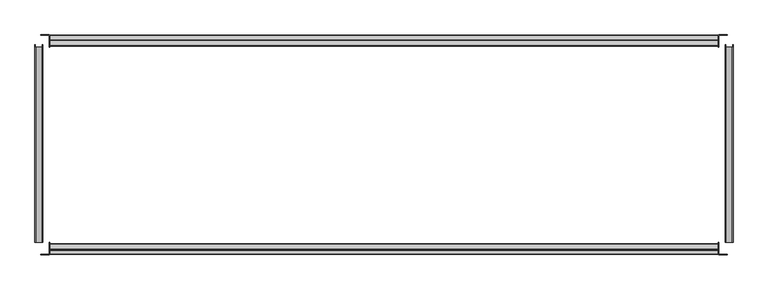
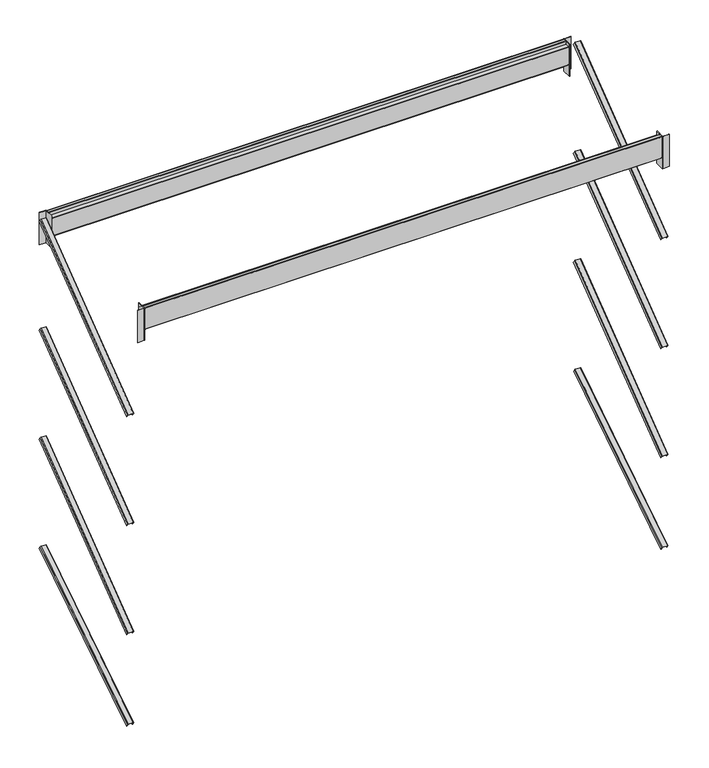
"""IFC4 building model written with IfcOpenShell, lengths in millimetres: furniture geometry."""

from ifc_helpers import new_model, si_unit, point, frame, frame_2d, origin, place, context, project, spatial, polyline, circle_curve, trimmed, segment, composite_curve, outline, extrude, source, transform, mapped, element, save


def furniture_04ab1ce9(model_context):
    return source(origin(), model_context, "Body", "SweptSolid", [
        extrude(outline(composite_curve([segment(polyline([(50.0, 901.5), (84.5, 901.5)]), True, "CONTINUOUS"), segment(trimmed(circle_curve(frame_2d((84.5, 899.5)), 2.0), [point((84.5, 901.5))], [point((86.5, 899.5))], False, "CARTESIAN"), True, "CONTINUOUS"), segment(polyline([(86.5, 899.5), (86.5, 850.0), (85.0, 850.0), (85.0, 899.5)]), True, "CONTINUOUS"), segment(trimmed(circle_curve(frame_2d((84.5, 899.5)), 0.5), [point((85.0, 899.5))], [point((84.5, 900.0))], True, "CARTESIAN"), True, "CONTINUOUS"), segment(polyline([(84.5, 900.0), (50.0, 900.0), (50.0, 901.5)]), True, "CONTINUOUS")], self_intersect=False)), frame((0.0, 0.0, 2258.4), z_axis=(0.0, 0.0, 1.0), x_axis=(1.0, 0.0, 0.0)), (0.0, 0.0, 1.0), 180.0),
        extrude(outline(composite_curve([segment(polyline([(84.5, -1.5), (50.0, -1.5), (50.0, 0.0), (84.5, 0.0)]), True, "CONTINUOUS"), segment(trimmed(circle_curve(frame_2d((84.5, 0.5)), 0.5), [point((84.5, 0.0))], [point((85.0, 0.5))], True, "CARTESIAN"), True, "CONTINUOUS"), segment(polyline([(85.0, 0.5), (85.0, 50.0), (86.5, 50.0), (86.5, 0.5)]), True, "CONTINUOUS"), segment(trimmed(circle_curve(frame_2d((84.5, 0.5)), 2.0), [point((86.5, 0.5))], [point((84.5, -1.5))], False, "CARTESIAN"), True, "CONTINUOUS")], self_intersect=False)), frame((0.0, 0.0, 2258.4), z_axis=(0.0, 0.0, 1.0), x_axis=(1.0, 0.0, 0.0)), (0.0, 0.0, 1.0), 180.0),
        extrude(outline(composite_curve([segment(polyline([(2863.0, -1.5), (2828.5, -1.5)]), True, "CONTINUOUS"), segment(trimmed(circle_curve(frame_2d((2828.5, 0.5)), 2.0), [point((2828.5, -1.5))], [point((2826.5, 0.5))], False, "CARTESIAN"), True, "CONTINUOUS"), segment(polyline([(2826.5, 0.5), (2826.5, 50.0), (2828.0, 50.0), (2828.0, 0.5)]), True, "CONTINUOUS"), segment(trimmed(circle_curve(frame_2d((2828.5, 0.5)), 0.5), [point((2828.0, 0.5))], [point((2828.5, 0.0))], True, "CARTESIAN"), True, "CONTINUOUS"), segment(polyline([(2828.5, 0.0), (2863.0, 0.0), (2863.0, -1.5)]), True, "CONTINUOUS")], self_intersect=False)), frame((0.0, 0.0, 2258.4), z_axis=(0.0, 0.0, 1.0), x_axis=(1.0, 0.0, 0.0)), (0.0, 0.0, 1.0), 180.0),
        extrude(outline(composite_curve([segment(polyline([(2828.5, 901.5), (2863.0, 901.5), (2863.0, 900.0), (2828.5, 900.0)]), True, "CONTINUOUS"), segment(trimmed(circle_curve(frame_2d((2828.5, 899.5)), 0.5), [point((2828.5, 900.0))], [point((2828.0, 899.5))], True, "CARTESIAN"), True, "CONTINUOUS"), segment(polyline([(2828.0, 899.5), (2828.0, 850.0), (2826.5, 850.0), (2826.5, 899.5)]), True, "CONTINUOUS"), segment(trimmed(circle_curve(frame_2d((2828.5, 899.5)), 2.0), [point((2826.5, 899.5))], [point((2828.5, 901.5))], False, "CARTESIAN"), True, "CONTINUOUS")], self_intersect=False)), frame((0.0, 0.0, 2258.4), z_axis=(0.0, 0.0, 1.0), x_axis=(1.0, 0.0, 0.0)), (0.0, 0.0, 1.0), 180.0),
        extrude(outline(composite_curve([segment(trimmed(circle_curve(frame_2d((18.0, 2436.4)), 2.0), [point((18.0, 2438.4))], [point((20.0, 2436.4))], False, "CARTESIAN"), True, "CONTINUOUS"), segment(polyline([(20.0, 2436.4), (20.0, 2420.9)]), True, "CONTINUOUS"), segment(trimmed(circle_curve(frame_2d((20.5, 2420.9)), 0.5), [point((20.0, 2420.9))], [point((20.5, 2420.4))], True, "CARTESIAN"), True, "CONTINUOUS"), segment(polyline([(20.5, 2420.4), (43.0, 2420.4)]), True, "CONTINUOUS"), segment(trimmed(circle_curve(frame_2d((43.0, 2418.4)), 2.0), [point((43.0, 2420.4))], [point((45.0, 2418.4))], False, "CARTESIAN"), True, "CONTINUOUS"), segment(polyline([(45.0, 2418.4), (45.0, 2320.4)]), True, "CONTINUOUS"), segment(trimmed(circle_curve(frame_2d((43.0, 2320.4)), 2.0), [point((45.0, 2320.4))], [point((43.0, 2318.4))], False, "CARTESIAN"), True, "CONTINUOUS"), segment(polyline([(43.0, 2318.4), (2.0, 2318.4)]), True, "CONTINUOUS"), segment(trimmed(circle_curve(frame_2d((2.0, 2320.4)), 2.0), [point((2.0, 2318.4))], [point((0.0, 2320.4))], False, "CARTESIAN"), True, "CONTINUOUS"), segment(polyline([(0.0, 2320.4), (0.0, 2436.4)]), True, "CONTINUOUS"), segment(trimmed(circle_curve(frame_2d((2.0, 2436.4)), 2.0), [point((0.0, 2436.4))], [point((2.0, 2438.4))], False, "CARTESIAN"), True, "CONTINUOUS"), segment(polyline([(2.0, 2438.4), (18.0, 2438.4)]), True, "CONTINUOUS")], self_intersect=False), holes=[composite_curve([segment(polyline([(43.0, 2418.9), (20.5, 2418.9)]), True, "CONTINUOUS"), segment(trimmed(circle_curve(frame_2d((20.5, 2420.9)), 2.0), [point((20.5, 2418.9))], [point((18.5, 2420.9))], False, "CARTESIAN"), True, "CONTINUOUS"), segment(polyline([(18.5, 2420.9), (18.5, 2436.4)]), True, "CONTINUOUS"), segment(trimmed(circle_curve(frame_2d((18.0, 2436.4)), 0.5), [point((18.5, 2436.4))], [point((18.0, 2436.9))], True, "CARTESIAN"), True, "CONTINUOUS"), segment(polyline([(18.0, 2436.9), (2.0, 2436.9)]), True, "CONTINUOUS"), segment(trimmed(circle_curve(frame_2d((2.0, 2436.4)), 0.5), [point((2.0, 2436.9))], [point((1.5, 2436.4))], True, "CARTESIAN"), True, "CONTINUOUS"), segment(polyline([(1.5, 2436.4), (1.5, 2320.4)]), True, "CONTINUOUS"), segment(trimmed(circle_curve(frame_2d((2.0, 2320.4)), 0.5), [point((1.5, 2320.4))], [point((2.0, 2319.9))], True, "CARTESIAN"), True, "CONTINUOUS"), segment(polyline([(2.0, 2319.9), (43.0, 2319.9)]), True, "CONTINUOUS"), segment(trimmed(circle_curve(frame_2d((43.0, 2320.4)), 0.5), [point((43.0, 2319.9))], [point((43.5, 2320.4))], True, "CARTESIAN"), True, "CONTINUOUS"), segment(polyline([(43.5, 2320.4), (43.5, 2418.4)]), True, "CONTINUOUS"), segment(trimmed(circle_curve(frame_2d((43.0, 2418.4)), 0.5), [point((43.5, 2418.4))], [point((43.0, 2418.9))], True, "CARTESIAN"), True, "CONTINUOUS")], self_intersect=False)]), frame((86.5, 0.0, 0.0), z_axis=(1.0, 0.0, 0.0), x_axis=(0.0, 1.0, 0.0)), (0.0, 0.0, 1.0), 2740.0),
        extrude(outline(composite_curve([segment(polyline([(882.0, 2438.4), (898.0, 2438.4)]), True, "CONTINUOUS"), segment(trimmed(circle_curve(frame_2d((898.0, 2436.4)), 2.0), [point((898.0, 2438.4))], [point((900.0, 2436.4))], False, "CARTESIAN"), True, "CONTINUOUS"), segment(polyline([(900.0, 2436.4), (900.0, 2320.4)]), True, "CONTINUOUS"), segment(trimmed(circle_curve(frame_2d((898.0, 2320.4)), 2.0), [point((900.0, 2320.4))], [point((898.0, 2318.4))], False, "CARTESIAN"), True, "CONTINUOUS"), segment(polyline([(898.0, 2318.4), (857.0, 2318.4)]), True, "CONTINUOUS"), segment(trimmed(circle_curve(frame_2d((857.0, 2320.4)), 2.0), [point((857.0, 2318.4))], [point((855.0, 2320.4))], False, "CARTESIAN"), True, "CONTINUOUS"), segment(polyline([(855.0, 2320.4), (855.0, 2418.4)]), True, "CONTINUOUS"), segment(trimmed(circle_curve(frame_2d((857.0, 2418.4)), 2.0), [point((855.0, 2418.4))], [point((857.0, 2420.4))], False, "CARTESIAN"), True, "CONTINUOUS"), segment(polyline([(857.0, 2420.4), (879.5, 2420.4)]), True, "CONTINUOUS"), segment(trimmed(circle_curve(frame_2d((879.5, 2420.9)), 0.5), [point((879.5, 2420.4))], [point((880.0, 2420.9))], True, "CARTESIAN"), True, "CONTINUOUS"), segment(polyline([(880.0, 2420.9), (880.0, 2436.4)]), True, "CONTINUOUS"), segment(trimmed(circle_curve(frame_2d((882.0, 2436.4)), 2.0), [point((880.0, 2436.4))], [point((882.0, 2438.4))], False, "CARTESIAN"), True, "CONTINUOUS")], self_intersect=False), holes=[composite_curve([segment(trimmed(circle_curve(frame_2d((857.0, 2418.4)), 0.5), [point((857.0, 2418.9))], [point((856.5, 2418.4))], True, "CARTESIAN"), True, "CONTINUOUS"), segment(polyline([(856.5, 2418.4), (856.5, 2320.4)]), True, "CONTINUOUS"), segment(trimmed(circle_curve(frame_2d((857.0, 2320.4)), 0.5), [point((856.5, 2320.4))], [point((857.0, 2319.9))], True, "CARTESIAN"), True, "CONTINUOUS"), segment(polyline([(857.0, 2319.9), (898.0, 2319.9)]), True, "CONTINUOUS"), segment(trimmed(circle_curve(frame_2d((898.0, 2320.4)), 0.5), [point((898.0, 2319.9))], [point((898.5, 2320.4))], True, "CARTESIAN"), True, "CONTINUOUS"), segment(polyline([(898.5, 2320.4), (898.5, 2436.4)]), True, "CONTINUOUS"), segment(trimmed(circle_curve(frame_2d((898.0, 2436.4)), 0.5), [point((898.5, 2436.4))], [point((898.0, 2436.9))], True, "CARTESIAN"), True, "CONTINUOUS"), segment(polyline([(898.0, 2436.9), (882.0, 2436.9)]), True, "CONTINUOUS"), segment(trimmed(circle_curve(frame_2d((882.0, 2436.4)), 0.5), [point((882.0, 2436.9))], [point((881.5, 2436.4))], True, "CARTESIAN"), True, "CONTINUOUS"), segment(polyline([(881.5, 2436.4), (881.5, 2420.9)]), True, "CONTINUOUS"), segment(trimmed(circle_curve(frame_2d((879.5, 2420.9)), 2.0), [point((881.5, 2420.9))], [point((879.5, 2418.9))], False, "CARTESIAN"), True, "CONTINUOUS"), segment(polyline([(879.5, 2418.9), (857.0, 2418.9)]), True, "CONTINUOUS")], self_intersect=False)]), frame((86.5, 0.0, 0.0), z_axis=(1.0, 0.0, 0.0), x_axis=(0.0, 1.0, 0.0)), (0.0, 0.0, 1.0), 2740.0),
        extrude(outline(composite_curve([segment(polyline([(-15.9058824, -20.0), (-15.9058824, -2.5)]), True, "CONTINUOUS"), segment(trimmed(circle_curve(frame_2d((-13.4058824, -2.5)), 2.5), [point((-15.9058824, -2.5))], [point((-13.4058824, 0.0))], False, "CARTESIAN"), True, "CONTINUOUS"), segment(polyline([(-13.4058824, 0.0), (13.4058824, 0.0)]), True, "CONTINUOUS"), segment(trimmed(circle_curve(frame_2d((13.4058824, -2.5)), 2.5), [point((13.4058824, 0.0))], [point((15.9058824, -2.5))], False, "CARTESIAN"), True, "CONTINUOUS"), segment(polyline([(15.9058824, -2.5), (15.9058824, -20.0), (14.4058824, -20.0), (14.4058824, -2.5)]), True, "CONTINUOUS"), segment(trimmed(circle_curve(frame_2d((13.4058824, -2.5)), 1.0), [point((14.4058824, -2.5))], [point((13.4058824, -1.5))], True, "CARTESIAN"), True, "CONTINUOUS"), segment(polyline([(13.4058824, -1.5), (-13.4058824, -1.5)]), True, "CONTINUOUS"), segment(trimmed(circle_curve(frame_2d((-13.4058824, -2.5)), 1.0), [point((-13.4058824, -1.5))], [point((-14.4058824, -2.5))], True, "CARTESIAN"), True, "CONTINUOUS"), segment(polyline([(-14.4058824, -2.5), (-14.4058824, -20.0), (-15.9058824, -20.0)]), True, "CONTINUOUS")], self_intersect=False)), frame((2870.5, 50.0, 1828.8), z_axis=(0.0, 0.7953952011617613, 0.6060911432852664), x_axis=(-1.0, 0.0, 0.0)), (0.0, 0.0, 1.0), 1005.7893219),
        extrude(outline(composite_curve([segment(polyline([(-15.9058824, -20.0), (-15.9058824, -2.5)]), True, "CONTINUOUS"), segment(trimmed(circle_curve(frame_2d((-13.4058824, -2.5)), 2.5), [point((-15.9058824, -2.5))], [point((-13.4058824, 0.0))], False, "CARTESIAN"), True, "CONTINUOUS"), segment(polyline([(-13.4058824, 0.0), (13.4058824, 0.0)]), True, "CONTINUOUS"), segment(trimmed(circle_curve(frame_2d((13.4058824, -2.5)), 2.5), [point((13.4058824, 0.0))], [point((15.9058824, -2.5))], False, "CARTESIAN"), True, "CONTINUOUS"), segment(polyline([(15.9058824, -2.5), (15.9058824, -20.0), (14.4058824, -20.0), (14.4058824, -2.5)]), True, "CONTINUOUS"), segment(trimmed(circle_curve(frame_2d((13.4058824, -2.5)), 1.0), [point((14.4058824, -2.5))], [point((13.4058824, -1.5))], True, "CARTESIAN"), True, "CONTINUOUS"), segment(polyline([(13.4058824, -1.5), (-13.4058824, -1.5)]), True, "CONTINUOUS"), segment(trimmed(circle_curve(frame_2d((-13.4058824, -2.5)), 1.0), [point((-13.4058824, -1.5))], [point((-14.4058824, -2.5))], True, "CARTESIAN"), True, "CONTINUOUS"), segment(polyline([(-14.4058824, -2.5), (-14.4058824, -20.0), (-15.9058824, -20.0)]), True, "CONTINUOUS")], self_intersect=False)), frame((2870.5, 50.0, 1219.2), z_axis=(0.0, 0.7953952011617628, 0.6060911432852646), x_axis=(-1.0, 0.0, 0.0)), (0.0, 0.0, 1.0), 1005.7893219),
        extrude(outline(composite_curve([segment(polyline([(-15.9058824, -20.0), (-15.9058824, -2.5)]), True, "CONTINUOUS"), segment(trimmed(circle_curve(frame_2d((-13.4058824, -2.5)), 2.5), [point((-15.9058824, -2.5))], [point((-13.4058824, 0.0))], False, "CARTESIAN"), True, "CONTINUOUS"), segment(polyline([(-13.4058824, 0.0), (13.4058824, 0.0)]), True, "CONTINUOUS"), segment(trimmed(circle_curve(frame_2d((13.4058824, -2.5)), 2.5), [point((13.4058824, 0.0))], [point((15.9058824, -2.5))], False, "CARTESIAN"), True, "CONTINUOUS"), segment(polyline([(15.9058824, -2.5), (15.9058824, -20.0), (14.4058824, -20.0), (14.4058824, -2.5)]), True, "CONTINUOUS"), segment(trimmed(circle_curve(frame_2d((13.4058824, -2.5)), 1.0), [point((14.4058824, -2.5))], [point((13.4058824, -1.5))], True, "CARTESIAN"), True, "CONTINUOUS"), segment(polyline([(13.4058824, -1.5), (-13.4058824, -1.5)]), True, "CONTINUOUS"), segment(trimmed(circle_curve(frame_2d((-13.4058824, -2.5)), 1.0), [point((-13.4058824, -1.5))], [point((-14.4058824, -2.5))], True, "CARTESIAN"), True, "CONTINUOUS"), segment(polyline([(-14.4058824, -2.5), (-14.4058824, -20.0), (-15.9058824, -20.0)]), True, "CONTINUOUS")], self_intersect=False)), frame((2870.5, 50.0, 609.6), z_axis=(0.0, 0.7953952011617627, 0.6060911432852647), x_axis=(-1.0, 0.0, 0.0)), (0.0, 0.0, 1.0), 1005.7893219),
        extrude(outline(composite_curve([segment(polyline([(-15.9058824, -20.0), (-15.9058824, -2.4999999)]), True, "CONTINUOUS"), segment(trimmed(circle_curve(frame_2d((-13.4058824, -2.4999999)), 2.5), [point((-15.9058824, -2.4999999))], [point((-13.4058824, 0.0))], False, "CARTESIAN"), True, "CONTINUOUS"), segment(polyline([(-13.4058824, 0.0), (13.4058824, 0.0)]), True, "CONTINUOUS"), segment(trimmed(circle_curve(frame_2d((13.4058824, -2.4999999)), 2.5), [point((13.4058824, 0.0))], [point((15.9058824, -2.4999999))], False, "CARTESIAN"), True, "CONTINUOUS"), segment(polyline([(15.9058824, -2.4999999), (15.9058824, -20.0), (14.4058824, -20.0), (14.4058824, -2.4999999)]), True, "CONTINUOUS"), segment(trimmed(circle_curve(frame_2d((13.4058824, -2.4999999)), 1.0), [point((14.4058824, -2.4999999))], [point((13.4058824, -1.5))], True, "CARTESIAN"), True, "CONTINUOUS"), segment(polyline([(13.4058824, -1.5), (-13.4058824, -1.5)]), True, "CONTINUOUS"), segment(trimmed(circle_curve(frame_2d((-13.4058824, -2.4999999)), 1.0), [point((-13.4058824, -1.5))], [point((-14.4058824, -2.4999999))], True, "CARTESIAN"), True, "CONTINUOUS"), segment(polyline([(-14.4058824, -2.4999999), (-14.4058824, -20.0), (-15.9058824, -20.0)]), True, "CONTINUOUS")], self_intersect=False)), frame((2870.5, 50.0, 100.0), z_axis=(0.0, 0.8434182983197249, 0.5372574560296577), x_axis=(-1.0, 0.0, 0.0)), (0.0, 0.0, 1.0), 948.5210382),
        extrude(outline(composite_curve([segment(polyline([(-15.9058824, -20.0), (-15.9058824, -2.5)]), True, "CONTINUOUS"), segment(trimmed(circle_curve(frame_2d((-13.4058824, -2.5)), 2.5), [point((-15.9058824, -2.5))], [point((-13.4058824, 0.0))], False, "CARTESIAN"), True, "CONTINUOUS"), segment(polyline([(-13.4058824, 0.0), (13.4058824, 0.0)]), True, "CONTINUOUS"), segment(trimmed(circle_curve(frame_2d((13.4058824, -2.5)), 2.5), [point((13.4058824, 0.0))], [point((15.9058824, -2.5))], False, "CARTESIAN"), True, "CONTINUOUS"), segment(polyline([(15.9058824, -2.5), (15.9058824, -20.0), (14.4058824, -20.0), (14.4058824, -2.5)]), True, "CONTINUOUS"), segment(trimmed(circle_curve(frame_2d((13.4058824, -2.5)), 1.0), [point((14.4058824, -2.5))], [point((13.4058824, -1.5))], True, "CARTESIAN"), True, "CONTINUOUS"), segment(polyline([(13.4058824, -1.5), (-13.4058824, -1.5)]), True, "CONTINUOUS"), segment(trimmed(circle_curve(frame_2d((-13.4058824, -2.5)), 1.0), [point((-13.4058824, -1.5))], [point((-14.4058824, -2.5))], True, "CARTESIAN"), True, "CONTINUOUS"), segment(polyline([(-14.4058824, -2.5), (-14.4058824, -20.0), (-15.9058824, -20.0)]), True, "CONTINUOUS")], self_intersect=False)), frame((42.5, 50.0, 1828.8), z_axis=(0.0, 0.7953952011617555, 0.6060911432852739), x_axis=(-1.0, 0.0, 0.0)), (0.0, 0.0, 1.0), 1005.7893219),
        extrude(outline(composite_curve([segment(polyline([(-15.9058824, -20.0), (-15.9058824, -2.5)]), True, "CONTINUOUS"), segment(trimmed(circle_curve(frame_2d((-13.4058824, -2.5)), 2.5), [point((-15.9058824, -2.5))], [point((-13.4058824, 0.0))], False, "CARTESIAN"), True, "CONTINUOUS"), segment(polyline([(-13.4058824, 0.0), (13.4058824, 0.0)]), True, "CONTINUOUS"), segment(trimmed(circle_curve(frame_2d((13.4058824, -2.5)), 2.5), [point((13.4058824, 0.0))], [point((15.9058824, -2.5))], False, "CARTESIAN"), True, "CONTINUOUS"), segment(polyline([(15.9058824, -2.5), (15.9058824, -20.0), (14.4058824, -20.0), (14.4058824, -2.5)]), True, "CONTINUOUS"), segment(trimmed(circle_curve(frame_2d((13.4058824, -2.5)), 1.0), [point((14.4058824, -2.5))], [point((13.4058824, -1.5))], True, "CARTESIAN"), True, "CONTINUOUS"), segment(polyline([(13.4058824, -1.5), (-13.4058824, -1.5)]), True, "CONTINUOUS"), segment(trimmed(circle_curve(frame_2d((-13.4058824, -2.5)), 1.0), [point((-13.4058824, -1.5))], [point((-14.4058824, -2.5))], True, "CARTESIAN"), True, "CONTINUOUS"), segment(polyline([(-14.4058824, -2.5), (-14.4058824, -20.0), (-15.9058824, -20.0)]), True, "CONTINUOUS")], self_intersect=False)), frame((42.5, 50.0, 1219.2), z_axis=(0.0, 0.7953952011617682, 0.6060911432852575), x_axis=(-1.0, 0.0, 0.0)), (0.0, 0.0, 1.0), 1005.7893219),
        extrude(outline(composite_curve([segment(polyline([(-15.9058824, -20.0), (-15.9058824, -2.5)]), True, "CONTINUOUS"), segment(trimmed(circle_curve(frame_2d((-13.4058824, -2.5)), 2.5), [point((-15.9058824, -2.5))], [point((-13.4058824, 0.0))], False, "CARTESIAN"), True, "CONTINUOUS"), segment(polyline([(-13.4058824, 0.0), (13.4058824, 0.0)]), True, "CONTINUOUS"), segment(trimmed(circle_curve(frame_2d((13.4058824, -2.5)), 2.5), [point((13.4058824, 0.0))], [point((15.9058824, -2.5))], False, "CARTESIAN"), True, "CONTINUOUS"), segment(polyline([(15.9058824, -2.5), (15.9058824, -20.0), (14.4058824, -20.0), (14.4058824, -2.5)]), True, "CONTINUOUS"), segment(trimmed(circle_curve(frame_2d((13.4058824, -2.5)), 1.0), [point((14.4058824, -2.5))], [point((13.4058824, -1.5))], True, "CARTESIAN"), True, "CONTINUOUS"), segment(polyline([(13.4058824, -1.5), (-13.4058824, -1.5)]), True, "CONTINUOUS"), segment(trimmed(circle_curve(frame_2d((-13.4058824, -2.5)), 1.0), [point((-13.4058824, -1.5))], [point((-14.4058824, -2.5))], True, "CARTESIAN"), True, "CONTINUOUS"), segment(polyline([(-14.4058824, -2.5), (-14.4058824, -20.0), (-15.9058824, -20.0)]), True, "CONTINUOUS")], self_intersect=False)), frame((42.5, 50.0, 609.6), z_axis=(0.0, 0.7953952011617627, 0.6060911432852646), x_axis=(-1.0, 0.0, 0.0)), (0.0, 0.0, 1.0), 1005.7893219),
        extrude(outline(composite_curve([segment(polyline([(-15.9058824, -20.0), (-15.9058824, -2.4999999)]), True, "CONTINUOUS"), segment(trimmed(circle_curve(frame_2d((-13.4058824, -2.4999999)), 2.5), [point((-15.9058824, -2.4999999))], [point((-13.4058824, 0.0))], False, "CARTESIAN"), True, "CONTINUOUS"), segment(polyline([(-13.4058824, 0.0), (13.4058824, 0.0)]), True, "CONTINUOUS"), segment(trimmed(circle_curve(frame_2d((13.4058824, -2.4999999)), 2.5), [point((13.4058824, 0.0))], [point((15.9058824, -2.4999999))], False, "CARTESIAN"), True, "CONTINUOUS"), segment(polyline([(15.9058824, -2.4999999), (15.9058824, -20.0), (14.4058824, -20.0), (14.4058824, -2.4999999)]), True, "CONTINUOUS"), segment(trimmed(circle_curve(frame_2d((13.4058824, -2.4999999)), 1.0), [point((14.4058824, -2.4999999))], [point((13.4058824, -1.5))], True, "CARTESIAN"), True, "CONTINUOUS"), segment(polyline([(13.4058824, -1.5), (-13.4058824, -1.5)]), True, "CONTINUOUS"), segment(trimmed(circle_curve(frame_2d((-13.4058824, -2.4999999)), 1.0), [point((-13.4058824, -1.5))], [point((-14.4058824, -2.4999999))], True, "CARTESIAN"), True, "CONTINUOUS"), segment(polyline([(-14.4058824, -2.4999999), (-14.4058824, -20.0), (-15.9058824, -20.0)]), True, "CONTINUOUS")], self_intersect=False)), frame((42.5, 50.0, 100.0), z_axis=(0.0, 0.8434182983197249, 0.5372574560296576), x_axis=(-1.0, 0.0, 0.0)), (0.0, 0.0, 1.0), 948.5210382),
    ])


if __name__ == "__main__":
    model = new_model("IFC4")
    model_context = context("Model", 3, world=origin())
    ifc_project = project(units=[si_unit("LENGTHUNIT", "METRE", prefix="MILLI")], contexts=[model_context])
    site = spatial("IfcSite", under=ifc_project)
    building = spatial("IfcBuilding", under=site)
    placement = place(None, origin())
    furniture_shape = furniture_04ab1ce9(model_context)
    element("IfcFurniture", 1, at=placement, inside=building, context=model_context, shape_type="MappedRepresentation", body=[
        mapped(furniture_shape, transform((0.0, 0.0, 0.0), x_axis=(1.0, 0.0, 0.0), y_axis=(0.0, 1.0, 0.0), z_axis=(0.0, 0.0, 1.0))),
    ])
    save(model, "model.ifc")
